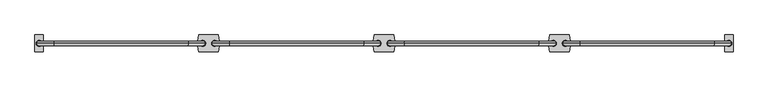
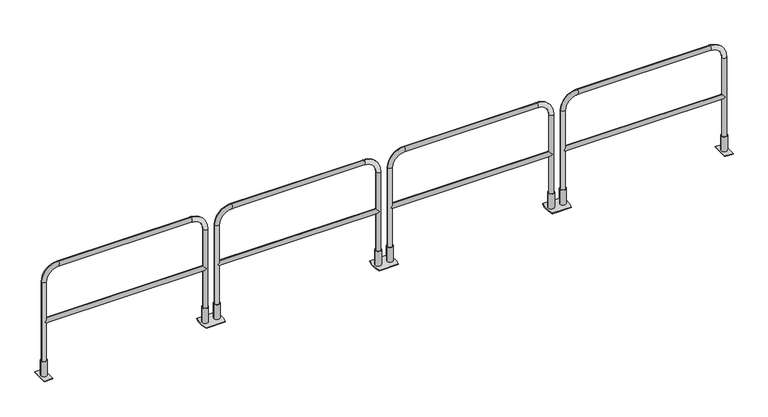
"""IFC4 building model written with IfcOpenShell, lengths in millimetres: railing geometry."""

from ifc_helpers import new_model, si_unit, point, frame, frame_2d, origin, origin_with_axes, place, context, project, spatial, polyline, circle_curve, ellipse_curve, trimmed, segment, composite_curve, outline, extrude, source, transform, mapped, element, save
from ifc_brep_helpers import plane_surface, cylinder_surface, revolved_surface, advanced_brep


def railing_26acb564(model_context):
    return source(origin(), model_context, "Body", "SolidModel", [
        extrude(outline(composite_curve([segment(trimmed(circle_curve(frame_2d((67475.572395, 15441.0551937)), 304.8), [point((67770.693726, 15517.2551937))], [point((67770.693726, 15364.8551937))], False, "CARTESIAN"), True, "CONTINUOUS"), segment(polyline([(67770.693726, 15364.8551937), (67592.893726, 15364.8551937)]), True, "CONTINUOUS"), segment(trimmed(circle_curve(frame_2d((67888.015057, 15441.0551937)), 304.8), [point((67592.893726, 15364.8551937))], [point((67592.893726, 15517.2551937))], False, "CARTESIAN"), True, "CONTINUOUS"), segment(polyline([(67592.893726, 15517.2551937), (67770.693726, 15517.2551937)]), True, "CONTINUOUS")], self_intersect=False)), origin_with_axes(), (0.0, 0.0, 1.0), 6.35),
        extrude(outline(composite_curve([segment(trimmed(circle_curve(frame_2d((67735.6752627, 15441.0551937)), 26.9875), [point((67708.6877627, 15441.0551937))], [point((67762.6627627, 15441.0551937))], False, "CARTESIAN"), True, "CONTINUOUS"), segment(trimmed(circle_curve(frame_2d((67735.6752627, 15441.0551937)), 26.9875), [point((67762.6627627, 15441.0551937))], [point((67708.6877627, 15441.0551937))], False, "CARTESIAN"), True, "CONTINUOUS")], self_intersect=False), holes=[composite_curve([segment(trimmed(circle_curve(frame_2d((67735.6752627, 15441.0551937)), 20.6375), [point((67715.0377627, 15441.0551937))], [point((67756.3127627, 15441.0551937))], True, "CARTESIAN"), True, "CONTINUOUS"), segment(trimmed(circle_curve(frame_2d((67735.6752627, 15441.0551937)), 20.6375), [point((67756.3127627, 15441.0551937))], [point((67715.0377627, 15441.0551937))], True, "CARTESIAN"), True, "CONTINUOUS")], self_intersect=False)]), frame((0.0, 0.0, 6.35), z_axis=(0.0, 0.0, 1.0), x_axis=(1.0, 0.0, 0.0)), (0.0, 0.0, 1.0), 146.05),
        extrude(outline(composite_curve([segment(trimmed(circle_curve(frame_2d((67627.9121893, 15441.0551937)), 26.9875), [point((67600.9246893, 15441.0551937))], [point((67654.8996893, 15441.0551937))], False, "CARTESIAN"), True, "CONTINUOUS"), segment(trimmed(circle_curve(frame_2d((67627.9121893, 15441.0551937)), 26.9875), [point((67654.8996893, 15441.0551937))], [point((67600.9246893, 15441.0551937))], False, "CARTESIAN"), True, "CONTINUOUS")], self_intersect=False), holes=[composite_curve([segment(trimmed(circle_curve(frame_2d((67627.9121893, 15441.0551937)), 20.6375), [point((67607.2746893, 15441.0551937))], [point((67648.5496893, 15441.0551937))], True, "CARTESIAN"), True, "CONTINUOUS"), segment(trimmed(circle_curve(frame_2d((67627.9121893, 15441.0551937)), 20.6375), [point((67648.5496893, 15441.0551937))], [point((67607.2746893, 15441.0551937))], True, "CARTESIAN"), True, "CONTINUOUS")], self_intersect=False)]), frame((0.0, 0.0, 6.35), z_axis=(0.0, 0.0, 1.0), x_axis=(1.0, 0.0, 0.0)), (0.0, 0.0, 1.0), 146.05),
        extrude(outline(composite_curve([segment(polyline([(69183.3817994, 15517.2551937), (69361.1817994, 15517.2551937)]), True, "CONTINUOUS"), segment(trimmed(circle_curve(frame_2d((69066.0604685, 15441.0551937)), 304.8), [point((69361.1817994, 15517.2551937))], [point((69361.1817994, 15364.8551937))], False, "CARTESIAN"), True, "CONTINUOUS"), segment(polyline([(69361.1817994, 15364.8551937), (69183.3817994, 15364.8551937)]), True, "CONTINUOUS"), segment(trimmed(circle_curve(frame_2d((69478.5031304, 15441.0551937)), 304.8), [point((69183.3817994, 15364.8551937))], [point((69183.3817994, 15517.2551937))], False, "CARTESIAN"), True, "CONTINUOUS")], self_intersect=False)), origin_with_axes(), (0.0, 0.0, 1.0), 6.35),
        extrude(outline(composite_curve([segment(trimmed(circle_curve(frame_2d((69218.4002627, 15441.0551937)), 26.9875), [point((69245.3877627, 15441.0551937))], [point((69191.4127627, 15441.0551937))], False, "CARTESIAN"), True, "CONTINUOUS"), segment(trimmed(circle_curve(frame_2d((69218.4002627, 15441.0551937)), 26.9875), [point((69191.4127627, 15441.0551937))], [point((69245.3877627, 15441.0551937))], False, "CARTESIAN"), True, "CONTINUOUS")], self_intersect=False), holes=[composite_curve([segment(trimmed(circle_curve(frame_2d((69218.4002627, 15441.0551937)), 20.6375), [point((69239.0377627, 15441.0551937))], [point((69197.7627627, 15441.0551937))], True, "CARTESIAN"), True, "CONTINUOUS"), segment(trimmed(circle_curve(frame_2d((69218.4002627, 15441.0551937)), 20.6375), [point((69197.7627627, 15441.0551937))], [point((69239.0377627, 15441.0551937))], True, "CARTESIAN"), True, "CONTINUOUS")], self_intersect=False)]), frame((0.0, 0.0, 6.35), z_axis=(0.0, 0.0, 1.0), x_axis=(1.0, 0.0, 0.0)), (0.0, 0.0, 1.0), 146.05),
        extrude(outline(composite_curve([segment(trimmed(circle_curve(frame_2d((69326.1633362, 15441.0551937)), 26.9875), [point((69353.1508362, 15441.0551937))], [point((69299.1758362, 15441.0551937))], False, "CARTESIAN"), True, "CONTINUOUS"), segment(trimmed(circle_curve(frame_2d((69326.1633362, 15441.0551937)), 26.9875), [point((69299.1758362, 15441.0551937))], [point((69353.1508362, 15441.0551937))], False, "CARTESIAN"), True, "CONTINUOUS")], self_intersect=False), holes=[composite_curve([segment(trimmed(circle_curve(frame_2d((69326.1633362, 15441.0551937)), 20.6375), [point((69346.8008362, 15441.0551937))], [point((69305.5258362, 15441.0551937))], True, "CARTESIAN"), True, "CONTINUOUS"), segment(trimmed(circle_curve(frame_2d((69326.1633362, 15441.0551937)), 20.6375), [point((69305.5258362, 15441.0551937))], [point((69346.8008362, 15441.0551937))], True, "CARTESIAN"), True, "CONTINUOUS")], self_intersect=False)]), frame((0.0, 0.0, 6.35), z_axis=(0.0, 0.0, 1.0), x_axis=(1.0, 0.0, 0.0)), (0.0, 0.0, 1.0), 146.05),
        advanced_brep(
        [(67756.3127627, 15441.0551937, 554.0375), (67735.6752627, 15420.4176937, 533.4), (67756.3127627, 15441.0551937, 512.7625), (69197.7627627, 15441.0551937, 512.7625), (69218.4002627, 15420.4176937, 533.4), (69197.7627627, 15441.0551937, 554.0375), (69218.4002627, 15461.6926937, 533.4), (67735.6752627, 15461.6926937, 533.4), (67715.0377627, 15441.0551937, 6.35), (67756.3127627, 15441.0551937, 6.35), (67756.3127627, 15441.0551937, 914.4), (67715.0377627, 15441.0551937, 914.4), (67867.4377627, 15441.0551937, 1025.525), (67867.4377627, 15441.0551937, 1066.8), (69086.6377627, 15441.0551937, 1025.525), (69086.6377627, 15441.0551937, 1066.8), (69197.7627627, 15441.0551937, 914.4), (69239.0377627, 15441.0551937, 914.4), (69239.0377627, 15441.0551937, 6.35), (69197.7627627, 15441.0551937, 6.35)],
        [
            (0, 1, ellipse_curve(frame((67735.6752627, 15441.0551937, 533.4), z_axis=(0.7071067811865475, 0.0, -0.7071067811865475), x_axis=(-0.7071067811865476, 0.0, -0.7071067811865474)), 29.1858324, 20.6375)),
            (1, 2, ellipse_curve(frame((67735.6752627, 15441.0551937, 533.4), z_axis=(0.7071067811865475, 0.0, 0.7071067811865475), x_axis=(-0.7071067811865476, 0.0, 0.7071067811865474)), 29.1858324, 20.6375)),
            (2, 3),
            (3, 4, ellipse_curve(frame((69218.4002627, 15441.0551937, 533.4), z_axis=(-0.7071067811865475, 0.0, 0.7071067811865475), x_axis=(-0.7071067811865476, 0.0, -0.7071067811865474)), 29.1858324, 20.6375)),
            (4, 5, ellipse_curve(frame((69218.4002627, 15441.0551937, 533.4), z_axis=(-0.7071067811865475, 0.0, -0.7071067811865475), x_axis=(-0.7071067811865476, 0.0, 0.7071067811865474)), 29.1858324, 20.6375)),
            (5, 0),
            (5, 6, ellipse_curve(frame((69218.4002627, 15441.0551937, 533.4), z_axis=(-0.7071067811865475, 0.0, -0.7071067811865475), x_axis=(-0.7071067811865476, 0.0, 0.7071067811865474)), 29.1858324, 20.6375)),
            (6, 3, ellipse_curve(frame((69218.4002627, 15441.0551937, 533.4), z_axis=(-0.7071067811865475, 0.0, 0.7071067811865475), x_axis=(-0.7071067811865476, 0.0, -0.7071067811865474)), 29.1858324, 20.6375)),
            (2, 7, ellipse_curve(frame((67735.6752627, 15441.0551937, 533.4), z_axis=(0.7071067811865475, 0.0, 0.7071067811865475), x_axis=(-0.7071067811865476, 0.0, 0.7071067811865474)), 29.1858324, 20.6375)),
            (7, 0, ellipse_curve(frame((67735.6752627, 15441.0551937, 533.4), z_axis=(0.7071067811865475, 0.0, -0.7071067811865475), x_axis=(-0.7071067811865476, 0.0, -0.7071067811865474)), 29.1858324, 20.6375)),
            (8, 9, circle_curve(frame((67735.6752627, 15441.0551937, 6.35), z_axis=(0.0, 0.0, -1.0), x_axis=(1.0, 0.0, 0.0)), 20.6375)),
            (9, 8, circle_curve(frame((67735.6752627, 15441.0551937, 6.35), z_axis=(0.0, 0.0, -1.0), x_axis=(1.0, 0.0, 0.0)), 20.6375)),
            (9, 2),
            (0, 10),
            (10, 11, circle_curve(frame((67735.6752627, 15441.0551937, 914.4), z_axis=(0.0, 0.0, -1.0), x_axis=(1.0, 0.0, 0.0)), 20.6375)),
            (11, 8),
            (11, 10, circle_curve(frame((67735.6752627, 15441.0551937, 914.4), z_axis=(0.0, 0.0, -1.0), x_axis=(1.0, 0.0, 0.0)), 20.6375)),
            (10, 12, circle_curve(frame((67867.4377627, 15441.0551937, 914.4), z_axis=(0.0, 1.0, 0.0), x_axis=(-1.0, 0.0, 0.0)), 111.125)),
            (12, 13, circle_curve(frame((67867.4377627, 15441.0551937, 1046.1625), z_axis=(-1.0, 0.0, 0.0), x_axis=(0.0, 0.0, -1.0)), 20.6375)),
            (13, 11, circle_curve(frame((67867.4377627, 15441.0551937, 914.4), z_axis=(0.0, -1.0, 0.0), x_axis=(-1.0, 0.0, 0.0)), 152.4)),
            (13, 12, circle_curve(frame((67867.4377627, 15441.0551937, 1046.1625), z_axis=(-1.0, 0.0, 0.0), x_axis=(0.0, 0.0, -1.0)), 20.6375)),
            (12, 14),
            (14, 15, circle_curve(frame((69086.6377627, 15441.0551937, 1046.1625), z_axis=(-1.0, 0.0, 0.0), x_axis=(0.0, 0.0, -1.0)), 20.6375)),
            (15, 13),
            (15, 14, circle_curve(frame((69086.6377627, 15441.0551937, 1046.1625), z_axis=(-1.0, 0.0, 0.0), x_axis=(0.0, 0.0, -1.0)), 20.6375)),
            (14, 16, circle_curve(frame((69086.6377627, 15441.0551937, 914.4), z_axis=(0.0, 1.0, 0.0), x_axis=(0.0, 0.0, 1.0)), 111.125)),
            (16, 17, circle_curve(frame((69218.4002627, 15441.0551937, 914.4), z_axis=(0.0, 0.0, 1.0), x_axis=(-1.0, 0.0, 0.0)), 20.6375)),
            (17, 15, circle_curve(frame((69086.6377627, 15441.0551937, 914.4), z_axis=(0.0, -1.0, 0.0), x_axis=(0.0, 0.0, 1.0)), 152.4)),
            (17, 16, circle_curve(frame((69218.4002627, 15441.0551937, 914.4), z_axis=(0.0, 0.0, 1.0), x_axis=(-1.0, 0.0, 0.0)), 20.6375)),
            (18, 19, circle_curve(frame((69218.4002627, 15441.0551937, 6.35), z_axis=(0.0, 0.0, -1.0), x_axis=(-1.0, 0.0, 0.0)), 20.6375)),
            (19, 18, circle_curve(frame((69218.4002627, 15441.0551937, 6.35), z_axis=(0.0, 0.0, -1.0), x_axis=(-1.0, 0.0, 0.0)), 20.6375)),
            (16, 5),
            (3, 19),
            (18, 17),
        ],
        [
            cylinder_surface(frame((67735.6752627, 15441.0551937, 533.4), z_axis=(-1.0, 0.0, 0.0), x_axis=(0.0, 0.0, -1.0)), 20.6375),
            plane_surface(frame((67715.0377627, 15441.0551937, 6.35), z_axis=(0.0, 0.0, -1.0), x_axis=(0.0, -1.0, 0.0))),
            cylinder_surface(frame((67735.6752627, 15441.0551937, 6.35), z_axis=(0.0, 0.0, -1.0), x_axis=(1.0, 0.0, 0.0)), 20.6375),
            revolved_surface(trimmed(ellipse_curve(frame((67735.6752627, 15441.0551937, 914.4), z_axis=(0.0, 0.0, 1.0), x_axis=(1.0, 0.0, 0.0)), 20.6375, 20.6375), [point((67715.0377627, 15441.0551937, 914.4))], [point((67756.3127627, 15441.0551937, 914.4))], True, "CARTESIAN"), (67867.4377627, 15441.0551937, 914.4), (0.0, -1.0, 0.0)),
            revolved_surface(trimmed(ellipse_curve(frame((67735.6752627, 15441.0551937, 914.4), z_axis=(0.0, 0.0, 1.0), x_axis=(1.0, 0.0, 0.0)), 20.6375, 20.6375), [point((67756.3127627, 15441.0551937, 914.4))], [point((67715.0377627, 15441.0551937, 914.4))], True, "CARTESIAN"), (67867.4377627, 15441.0551937, 914.4), (0.0, -1.0, 0.0)),
            cylinder_surface(frame((67867.4377627, 15441.0551937, 1046.1625), z_axis=(-1.0, 0.0, 0.0), x_axis=(0.0, 0.0, -1.0)), 20.6375),
            revolved_surface(trimmed(ellipse_curve(frame((69086.6377627, 15441.0551937, 1046.1625), z_axis=(1.0, 0.0, 0.0), x_axis=(0.0, 0.0, -1.0)), 20.6375, 20.6375), [point((69086.6377627, 15441.0551937, 1066.8))], [point((69086.6377627, 15441.0551937, 1025.525))], True, "CARTESIAN"), (69086.6377627, 15441.0551937, 914.4), (0.0, -1.0, 0.0)),
            revolved_surface(trimmed(ellipse_curve(frame((69086.6377627, 15441.0551937, 1046.1625), z_axis=(1.0, 0.0, 0.0), x_axis=(0.0, 0.0, -1.0)), 20.6375, 20.6375), [point((69086.6377627, 15441.0551937, 1025.525))], [point((69086.6377627, 15441.0551937, 1066.8))], True, "CARTESIAN"), (69086.6377627, 15441.0551937, 914.4), (0.0, -1.0, 0.0)),
            plane_surface(frame((69239.0377627, 15441.0551937, 6.35), z_axis=(0.0, 0.0, -1.0), x_axis=(0.0, -1.0, 0.0))),
            cylinder_surface(frame((69218.4002627, 15441.0551937, 914.4), z_axis=(0.0, 0.0, 1.0), x_axis=(-1.0, 0.0, 0.0)), 20.6375),
        ],
        [
            (0, [[1, 2, 3, 4, 5, 6]]),
            (0, [[7, 8, -3, 9, 10, -6]]),
            (1, [[11, 12]]),
            (2, [[13, -2, -1, 14, 15, 16, -12]]),
            (2, [[-16, 17, -14, -10, -9, -13, -11]]),
            (3, [[18, 19, 20, -15]]),
            (4, [[-20, 21, -18, -17]]),
            (5, [[22, 23, 24, -19]]),
            (5, [[-24, 25, -22, -21]]),
            (6, [[26, 27, 28, -23]]),
            (7, [[-28, 29, -26, -25]]),
            (8, [[30, 31]]),
            (9, [[32, -5, -4, 33, -30, 34, -27]]),
            (9, [[-34, -31, -33, -8, -7, -32, -29]]),
        ],
    ),
        extrude(outline(composite_curve([segment(trimmed(circle_curve(frame_2d((65885.0958325, 15441.0551937)), 304.8), [point((66180.2171635, 15517.2551937))], [point((66180.2171635, 15364.8551937))], False, "CARTESIAN"), True, "CONTINUOUS"), segment(polyline([(66180.2171635, 15364.8551937), (66002.4171635, 15364.8551937)]), True, "CONTINUOUS"), segment(trimmed(circle_curve(frame_2d((66297.5384945, 15441.0551937)), 304.8), [point((66002.4171635, 15364.8551937))], [point((66002.4171635, 15517.2551937))], False, "CARTESIAN"), True, "CONTINUOUS"), segment(polyline([(66002.4171635, 15517.2551937), (66180.2171635, 15517.2551937)]), True, "CONTINUOUS")], self_intersect=False)), origin_with_axes(), (0.0, 0.0, 1.0), 6.35),
        extrude(outline(composite_curve([segment(trimmed(circle_curve(frame_2d((66145.1987002, 15441.0551937)), 26.9875), [point((66118.2112002, 15441.0551937))], [point((66172.1862002, 15441.0551937))], False, "CARTESIAN"), True, "CONTINUOUS"), segment(trimmed(circle_curve(frame_2d((66145.1987002, 15441.0551937)), 26.9875), [point((66172.1862002, 15441.0551937))], [point((66118.2112002, 15441.0551937))], False, "CARTESIAN"), True, "CONTINUOUS")], self_intersect=False), holes=[composite_curve([segment(trimmed(circle_curve(frame_2d((66145.1987002, 15441.0551937)), 20.6375), [point((66124.5612002, 15441.0551937))], [point((66165.8362002, 15441.0551937))], True, "CARTESIAN"), True, "CONTINUOUS"), segment(trimmed(circle_curve(frame_2d((66145.1987002, 15441.0551937)), 20.6375), [point((66165.8362002, 15441.0551937))], [point((66124.5612002, 15441.0551937))], True, "CARTESIAN"), True, "CONTINUOUS")], self_intersect=False)]), frame((0.0, 0.0, 6.35), z_axis=(0.0, 0.0, 1.0), x_axis=(1.0, 0.0, 0.0)), (0.0, 0.0, 1.0), 146.05),
        extrude(outline(composite_curve([segment(trimmed(circle_curve(frame_2d((66037.4356268, 15441.0551937)), 26.9875), [point((66010.4481268, 15441.0551937))], [point((66064.4231268, 15441.0551937))], False, "CARTESIAN"), True, "CONTINUOUS"), segment(trimmed(circle_curve(frame_2d((66037.4356268, 15441.0551937)), 26.9875), [point((66064.4231268, 15441.0551937))], [point((66010.4481268, 15441.0551937))], False, "CARTESIAN"), True, "CONTINUOUS")], self_intersect=False), holes=[composite_curve([segment(trimmed(circle_curve(frame_2d((66037.4356268, 15441.0551937)), 20.6375), [point((66016.7981268, 15441.0551937))], [point((66058.0731268, 15441.0551937))], True, "CARTESIAN"), True, "CONTINUOUS"), segment(trimmed(circle_curve(frame_2d((66037.4356268, 15441.0551937)), 20.6375), [point((66058.0731268, 15441.0551937))], [point((66016.7981268, 15441.0551937))], True, "CARTESIAN"), True, "CONTINUOUS")], self_intersect=False)]), frame((0.0, 0.0, 6.35), z_axis=(0.0, 0.0, 1.0), x_axis=(1.0, 0.0, 0.0)), (0.0, 0.0, 1.0), 146.05),
        extrude(outline(composite_curve([segment(polyline([(67592.9052369, 15517.2551937), (67770.7052369, 15517.2551937)]), True, "CONTINUOUS"), segment(trimmed(circle_curve(frame_2d((67475.583906, 15441.0551937)), 304.8), [point((67770.7052369, 15517.2551937))], [point((67770.7052369, 15364.8551937))], False, "CARTESIAN"), True, "CONTINUOUS"), segment(polyline([(67770.7052369, 15364.8551937), (67592.9052369, 15364.8551937)]), True, "CONTINUOUS"), segment(trimmed(circle_curve(frame_2d((67888.0265679, 15441.0551937)), 304.8), [point((67592.9052369, 15364.8551937))], [point((67592.9052369, 15517.2551937))], False, "CARTESIAN"), True, "CONTINUOUS")], self_intersect=False)), origin_with_axes(), (0.0, 0.0, 1.0), 6.35),
        extrude(outline(composite_curve([segment(trimmed(circle_curve(frame_2d((67627.9237002, 15441.0551937)), 26.9875), [point((67654.9112002, 15441.0551937))], [point((67600.9362002, 15441.0551937))], False, "CARTESIAN"), True, "CONTINUOUS"), segment(trimmed(circle_curve(frame_2d((67627.9237002, 15441.0551937)), 26.9875), [point((67600.9362002, 15441.0551937))], [point((67654.9112002, 15441.0551937))], False, "CARTESIAN"), True, "CONTINUOUS")], self_intersect=False), holes=[composite_curve([segment(trimmed(circle_curve(frame_2d((67627.9237002, 15441.0551937)), 20.6375), [point((67648.5612002, 15441.0551937))], [point((67607.2862002, 15441.0551937))], True, "CARTESIAN"), True, "CONTINUOUS"), segment(trimmed(circle_curve(frame_2d((67627.9237002, 15441.0551937)), 20.6375), [point((67607.2862002, 15441.0551937))], [point((67648.5612002, 15441.0551937))], True, "CARTESIAN"), True, "CONTINUOUS")], self_intersect=False)]), frame((0.0, 0.0, 6.35), z_axis=(0.0, 0.0, 1.0), x_axis=(1.0, 0.0, 0.0)), (0.0, 0.0, 1.0), 146.05),
        extrude(outline(composite_curve([segment(trimmed(circle_curve(frame_2d((67735.6867737, 15441.0551937)), 26.9875), [point((67762.6742737, 15441.0551937))], [point((67708.6992737, 15441.0551937))], False, "CARTESIAN"), True, "CONTINUOUS"), segment(trimmed(circle_curve(frame_2d((67735.6867737, 15441.0551937)), 26.9875), [point((67708.6992737, 15441.0551937))], [point((67762.6742737, 15441.0551937))], False, "CARTESIAN"), True, "CONTINUOUS")], self_intersect=False), holes=[composite_curve([segment(trimmed(circle_curve(frame_2d((67735.6867737, 15441.0551937)), 20.6375), [point((67756.3242737, 15441.0551937))], [point((67715.0492737, 15441.0551937))], True, "CARTESIAN"), True, "CONTINUOUS"), segment(trimmed(circle_curve(frame_2d((67735.6867737, 15441.0551937)), 20.6375), [point((67715.0492737, 15441.0551937))], [point((67756.3242737, 15441.0551937))], True, "CARTESIAN"), True, "CONTINUOUS")], self_intersect=False)]), frame((0.0, 0.0, 6.35), z_axis=(0.0, 0.0, 1.0), x_axis=(1.0, 0.0, 0.0)), (0.0, 0.0, 1.0), 146.05),
        advanced_brep(
        [(66165.8362002, 15441.0551937, 554.0375), (66145.1987002, 15420.4176937, 533.4), (66165.8362002, 15441.0551937, 512.7625), (67607.2862002, 15441.0551937, 512.7625), (67627.9237002, 15420.4176937, 533.4), (67607.2862002, 15441.0551937, 554.0375), (67627.9237002, 15461.6926937, 533.4), (66145.1987002, 15461.6926937, 533.4), (66124.5612002, 15441.0551937, 6.35), (66165.8362002, 15441.0551937, 6.35), (66165.8362002, 15441.0551937, 914.4), (66124.5612002, 15441.0551937, 914.4), (66276.9612002, 15441.0551937, 1025.525), (66276.9612002, 15441.0551937, 1066.8), (67496.1612002, 15441.0551937, 1025.525), (67496.1612002, 15441.0551937, 1066.8), (67607.2862002, 15441.0551937, 914.4), (67648.5612002, 15441.0551937, 914.4), (67648.5612002, 15441.0551937, 6.35), (67607.2862002, 15441.0551937, 6.35)],
        [
            (0, 1, ellipse_curve(frame((66145.1987002, 15441.0551937, 533.4), z_axis=(0.7071067811865475, 0.0, -0.7071067811865475), x_axis=(-0.7071067811865476, 0.0, -0.7071067811865474)), 29.1858324, 20.6375)),
            (1, 2, ellipse_curve(frame((66145.1987002, 15441.0551937, 533.4), z_axis=(0.7071067811865475, 0.0, 0.7071067811865475), x_axis=(-0.7071067811865476, 0.0, 0.7071067811865474)), 29.1858324, 20.6375)),
            (2, 3),
            (3, 4, ellipse_curve(frame((67627.9237002, 15441.0551937, 533.4), z_axis=(-0.7071067811865475, 0.0, 0.7071067811865475), x_axis=(-0.7071067811865476, 0.0, -0.7071067811865474)), 29.1858324, 20.6375)),
            (4, 5, ellipse_curve(frame((67627.9237002, 15441.0551937, 533.4), z_axis=(-0.7071067811865475, 0.0, -0.7071067811865475), x_axis=(-0.7071067811865476, 0.0, 0.7071067811865474)), 29.1858324, 20.6375)),
            (5, 0),
            (5, 6, ellipse_curve(frame((67627.9237002, 15441.0551937, 533.4), z_axis=(-0.7071067811865475, 0.0, -0.7071067811865475), x_axis=(-0.7071067811865476, 0.0, 0.7071067811865474)), 29.1858324, 20.6375)),
            (6, 3, ellipse_curve(frame((67627.9237002, 15441.0551937, 533.4), z_axis=(-0.7071067811865475, 0.0, 0.7071067811865475), x_axis=(-0.7071067811865476, 0.0, -0.7071067811865474)), 29.1858324, 20.6375)),
            (2, 7, ellipse_curve(frame((66145.1987002, 15441.0551937, 533.4), z_axis=(0.7071067811865475, 0.0, 0.7071067811865475), x_axis=(-0.7071067811865476, 0.0, 0.7071067811865474)), 29.1858324, 20.6375)),
            (7, 0, ellipse_curve(frame((66145.1987002, 15441.0551937, 533.4), z_axis=(0.7071067811865475, 0.0, -0.7071067811865475), x_axis=(-0.7071067811865476, 0.0, -0.7071067811865474)), 29.1858324, 20.6375)),
            (8, 9, circle_curve(frame((66145.1987002, 15441.0551937, 6.35), z_axis=(0.0, 0.0, -1.0), x_axis=(1.0, 0.0, 0.0)), 20.6375)),
            (9, 8, circle_curve(frame((66145.1987002, 15441.0551937, 6.35), z_axis=(0.0, 0.0, -1.0), x_axis=(1.0, 0.0, 0.0)), 20.6375)),
            (9, 2),
            (0, 10),
            (10, 11, circle_curve(frame((66145.1987002, 15441.0551937, 914.4), z_axis=(0.0, 0.0, -1.0), x_axis=(1.0, 0.0, 0.0)), 20.6375)),
            (11, 8),
            (11, 10, circle_curve(frame((66145.1987002, 15441.0551937, 914.4), z_axis=(0.0, 0.0, -1.0), x_axis=(1.0, 0.0, 0.0)), 20.6375)),
            (10, 12, circle_curve(frame((66276.9612002, 15441.0551937, 914.4), z_axis=(0.0, 1.0, 0.0), x_axis=(-1.0, 0.0, 0.0)), 111.125)),
            (12, 13, circle_curve(frame((66276.9612002, 15441.0551937, 1046.1625), z_axis=(-1.0, 0.0, 0.0), x_axis=(0.0, 0.0, -1.0)), 20.6375)),
            (13, 11, circle_curve(frame((66276.9612002, 15441.0551937, 914.4), z_axis=(0.0, -1.0, 0.0), x_axis=(-1.0, 0.0, 0.0)), 152.4)),
            (13, 12, circle_curve(frame((66276.9612002, 15441.0551937, 1046.1625), z_axis=(-1.0, 0.0, 0.0), x_axis=(0.0, 0.0, -1.0)), 20.6375)),
            (12, 14),
            (14, 15, circle_curve(frame((67496.1612002, 15441.0551937, 1046.1625), z_axis=(-1.0, 0.0, 0.0), x_axis=(0.0, 0.0, -1.0)), 20.6375)),
            (15, 13),
            (15, 14, circle_curve(frame((67496.1612002, 15441.0551937, 1046.1625), z_axis=(-1.0, 0.0, 0.0), x_axis=(0.0, 0.0, -1.0)), 20.6375)),
            (14, 16, circle_curve(frame((67496.1612002, 15441.0551937, 914.4), z_axis=(0.0, 1.0, 0.0), x_axis=(0.0, 0.0, 1.0)), 111.125)),
            (16, 17, circle_curve(frame((67627.9237002, 15441.0551937, 914.4), z_axis=(0.0, 0.0, 1.0), x_axis=(-1.0, 0.0, 0.0)), 20.6375)),
            (17, 15, circle_curve(frame((67496.1612002, 15441.0551937, 914.4), z_axis=(0.0, -1.0, 0.0), x_axis=(0.0, 0.0, 1.0)), 152.4)),
            (17, 16, circle_curve(frame((67627.9237002, 15441.0551937, 914.4), z_axis=(0.0, 0.0, 1.0), x_axis=(-1.0, 0.0, 0.0)), 20.6375)),
            (18, 19, circle_curve(frame((67627.9237002, 15441.0551937, 6.35), z_axis=(0.0, 0.0, -1.0), x_axis=(-1.0, 0.0, 0.0)), 20.6375)),
            (19, 18, circle_curve(frame((67627.9237002, 15441.0551937, 6.35), z_axis=(0.0, 0.0, -1.0), x_axis=(-1.0, 0.0, 0.0)), 20.6375)),
            (16, 5),
            (3, 19),
            (18, 17),
        ],
        [
            cylinder_surface(frame((66145.1987002, 15441.0551937, 533.4), z_axis=(-1.0, 0.0, 0.0), x_axis=(0.0, 0.0, -1.0)), 20.6375),
            plane_surface(frame((66124.5612002, 15441.0551937, 6.35), z_axis=(0.0, 0.0, -1.0), x_axis=(0.0, -1.0, 0.0))),
            cylinder_surface(frame((66145.1987002, 15441.0551937, 6.35), z_axis=(0.0, 0.0, -1.0), x_axis=(1.0, 0.0, 0.0)), 20.6375),
            revolved_surface(trimmed(ellipse_curve(frame((66145.1987002, 15441.0551937, 914.4), z_axis=(0.0, 0.0, 1.0), x_axis=(1.0, 0.0, 0.0)), 20.6375, 20.6375), [point((66124.5612002, 15441.0551937, 914.4))], [point((66165.8362002, 15441.0551937, 914.4))], True, "CARTESIAN"), (66276.9612002, 15441.0551937, 914.4), (0.0, -1.0, 0.0)),
            revolved_surface(trimmed(ellipse_curve(frame((66145.1987002, 15441.0551937, 914.4), z_axis=(0.0, 0.0, 1.0), x_axis=(1.0, 0.0, 0.0)), 20.6375, 20.6375), [point((66165.8362002, 15441.0551937, 914.4))], [point((66124.5612002, 15441.0551937, 914.4))], True, "CARTESIAN"), (66276.9612002, 15441.0551937, 914.4), (0.0, -1.0, 0.0)),
            cylinder_surface(frame((66276.9612002, 15441.0551937, 1046.1625), z_axis=(-1.0, 0.0, 0.0), x_axis=(0.0, 0.0, -1.0)), 20.6375),
            revolved_surface(trimmed(ellipse_curve(frame((67496.1612002, 15441.0551937, 1046.1625), z_axis=(1.0, 0.0, 0.0), x_axis=(0.0, 0.0, -1.0)), 20.6375, 20.6375), [point((67496.1612002, 15441.0551937, 1066.8))], [point((67496.1612002, 15441.0551937, 1025.525))], True, "CARTESIAN"), (67496.1612002, 15441.0551937, 914.4), (0.0, -1.0, 0.0)),
            revolved_surface(trimmed(ellipse_curve(frame((67496.1612002, 15441.0551937, 1046.1625), z_axis=(1.0, 0.0, 0.0), x_axis=(0.0, 0.0, -1.0)), 20.6375, 20.6375), [point((67496.1612002, 15441.0551937, 1025.525))], [point((67496.1612002, 15441.0551937, 1066.8))], True, "CARTESIAN"), (67496.1612002, 15441.0551937, 914.4), (0.0, -1.0, 0.0)),
            plane_surface(frame((67648.5612002, 15441.0551937, 6.35), z_axis=(0.0, 0.0, -1.0), x_axis=(0.0, -1.0, 0.0))),
            cylinder_surface(frame((67627.9237002, 15441.0551937, 914.4), z_axis=(0.0, 0.0, 1.0), x_axis=(-1.0, 0.0, 0.0)), 20.6375),
        ],
        [
            (0, [[1, 2, 3, 4, 5, 6]]),
            (0, [[7, 8, -3, 9, 10, -6]]),
            (1, [[11, 12]]),
            (2, [[13, -2, -1, 14, 15, 16, -12]]),
            (2, [[-16, 17, -14, -10, -9, -13, -11]]),
            (3, [[18, 19, 20, -15]]),
            (4, [[-20, 21, -18, -17]]),
            (5, [[22, 23, 24, -19]]),
            (5, [[-24, 25, -22, -21]]),
            (6, [[26, 27, 28, -23]]),
            (7, [[-28, 29, -26, -25]]),
            (8, [[30, 31]]),
            (9, [[32, -5, -4, 33, -30, 34, -27]]),
            (9, [[-34, -31, -33, -8, -7, -32, -29]]),
        ],
    ),
        extrude(outline(polyline([(70770.7371377, 15517.2551937), (70846.9371377, 15517.2551937), (70846.9371377, 15364.8551937), (70770.7371377, 15364.8551937), (70770.7371377, 15517.2551937)])), origin_with_axes(), (0.0, 0.0, 1.0), 6.35),
        extrude(outline(composite_curve([segment(trimmed(circle_curve(frame_2d((70808.8371377, 15441.0551937)), 26.9875), [point((70835.8246377, 15441.0551937))], [point((70781.8496377, 15441.0551937))], False, "CARTESIAN"), True, "CONTINUOUS"), segment(trimmed(circle_curve(frame_2d((70808.8371377, 15441.0551937)), 26.9875), [point((70781.8496377, 15441.0551937))], [point((70835.8246377, 15441.0551937))], False, "CARTESIAN"), True, "CONTINUOUS")], self_intersect=False), holes=[composite_curve([segment(trimmed(circle_curve(frame_2d((70808.8371377, 15441.0551937)), 20.6375), [point((70829.4746377, 15441.0551937))], [point((70788.1996377, 15441.0551937))], True, "CARTESIAN"), True, "CONTINUOUS"), segment(trimmed(circle_curve(frame_2d((70808.8371377, 15441.0551937)), 20.6375), [point((70788.1996377, 15441.0551937))], [point((70829.4746377, 15441.0551937))], True, "CARTESIAN"), True, "CONTINUOUS")], self_intersect=False)]), frame((0.0, 0.0, 6.35), z_axis=(0.0, 0.0, 1.0), x_axis=(1.0, 0.0, 0.0)), (0.0, 0.0, 1.0), 146.05),
        advanced_brep(
        [(69346.7496377, 15441.0551937, 554.0375), (69326.1121377, 15420.4176937, 533.4), (69346.7496377, 15441.0551937, 512.7625), (70788.1996377, 15441.0551937, 512.7625), (70808.8371377, 15420.4176937, 533.4), (70788.1996377, 15441.0551937, 554.0375), (70808.8371377, 15461.6926937, 533.4), (69326.1121377, 15461.6926937, 533.4), (69305.4746377, 15441.0551937, 6.35), (69346.7496377, 15441.0551937, 6.35), (69346.7496377, 15441.0551937, 914.4), (69305.4746377, 15441.0551937, 914.4), (69457.8746377, 15441.0551937, 1025.525), (69457.8746377, 15441.0551937, 1066.8), (70677.0746377, 15441.0551937, 1025.525), (70677.0746377, 15441.0551937, 1066.8), (70788.1996377, 15441.0551937, 914.4), (70829.4746377, 15441.0551937, 914.4), (70829.4746377, 15441.0551937, 6.35), (70788.1996377, 15441.0551937, 6.35)],
        [
            (0, 1, ellipse_curve(frame((69326.1121377, 15441.0551937, 533.4), z_axis=(0.7071067811865475, 0.0, -0.7071067811865475), x_axis=(-0.7071067811865476, 0.0, -0.7071067811865474)), 29.1858324, 20.6375)),
            (1, 2, ellipse_curve(frame((69326.1121377, 15441.0551937, 533.4), z_axis=(0.7071067811865475, 0.0, 0.7071067811865475), x_axis=(-0.7071067811865476, 0.0, 0.7071067811865474)), 29.1858324, 20.6375)),
            (2, 3),
            (3, 4, ellipse_curve(frame((70808.8371377, 15441.0551937, 533.4), z_axis=(-0.7071067811865475, 0.0, 0.7071067811865475), x_axis=(-0.7071067811865476, 0.0, -0.7071067811865474)), 29.1858324, 20.6375)),
            (4, 5, ellipse_curve(frame((70808.8371377, 15441.0551937, 533.4), z_axis=(-0.7071067811865475, 0.0, -0.7071067811865475), x_axis=(-0.7071067811865476, 0.0, 0.7071067811865474)), 29.1858324, 20.6375)),
            (5, 0),
            (5, 6, ellipse_curve(frame((70808.8371377, 15441.0551937, 533.4), z_axis=(-0.7071067811865475, 0.0, -0.7071067811865475), x_axis=(-0.7071067811865476, 0.0, 0.7071067811865474)), 29.1858324, 20.6375)),
            (6, 3, ellipse_curve(frame((70808.8371377, 15441.0551937, 533.4), z_axis=(-0.7071067811865475, 0.0, 0.7071067811865475), x_axis=(-0.7071067811865476, 0.0, -0.7071067811865474)), 29.1858324, 20.6375)),
            (2, 7, ellipse_curve(frame((69326.1121377, 15441.0551937, 533.4), z_axis=(0.7071067811865475, 0.0, 0.7071067811865475), x_axis=(-0.7071067811865476, 0.0, 0.7071067811865474)), 29.1858324, 20.6375)),
            (7, 0, ellipse_curve(frame((69326.1121377, 15441.0551937, 533.4), z_axis=(0.7071067811865475, 0.0, -0.7071067811865475), x_axis=(-0.7071067811865476, 0.0, -0.7071067811865474)), 29.1858324, 20.6375)),
            (8, 9, circle_curve(frame((69326.1121377, 15441.0551937, 6.35), z_axis=(0.0, 0.0, -1.0), x_axis=(1.0, 0.0, 0.0)), 20.6375)),
            (9, 8, circle_curve(frame((69326.1121377, 15441.0551937, 6.35), z_axis=(0.0, 0.0, -1.0), x_axis=(1.0, 0.0, 0.0)), 20.6375)),
            (9, 2),
            (0, 10),
            (10, 11, circle_curve(frame((69326.1121377, 15441.0551937, 914.4), z_axis=(0.0, 0.0, -1.0), x_axis=(1.0, 0.0, 0.0)), 20.6375)),
            (11, 8),
            (11, 10, circle_curve(frame((69326.1121377, 15441.0551937, 914.4), z_axis=(0.0, 0.0, -1.0), x_axis=(1.0, 0.0, 0.0)), 20.6375)),
            (10, 12, circle_curve(frame((69457.8746377, 15441.0551937, 914.4), z_axis=(0.0, 1.0, 0.0), x_axis=(-1.0, 0.0, 0.0)), 111.125)),
            (12, 13, circle_curve(frame((69457.8746377, 15441.0551937, 1046.1625), z_axis=(-1.0, 0.0, 0.0), x_axis=(0.0, 0.0, -1.0)), 20.6375)),
            (13, 11, circle_curve(frame((69457.8746377, 15441.0551937, 914.4), z_axis=(0.0, -1.0, 0.0), x_axis=(-1.0, 0.0, 0.0)), 152.4)),
            (13, 12, circle_curve(frame((69457.8746377, 15441.0551937, 1046.1625), z_axis=(-1.0, 0.0, 0.0), x_axis=(0.0, 0.0, -1.0)), 20.6375)),
            (12, 14),
            (14, 15, circle_curve(frame((70677.0746377, 15441.0551937, 1046.1625), z_axis=(-1.0, 0.0, 0.0), x_axis=(0.0, 0.0, -1.0)), 20.6375)),
            (15, 13),
            (15, 14, circle_curve(frame((70677.0746377, 15441.0551937, 1046.1625), z_axis=(-1.0, 0.0, 0.0), x_axis=(0.0, 0.0, -1.0)), 20.6375)),
            (14, 16, circle_curve(frame((70677.0746377, 15441.0551937, 914.4), z_axis=(0.0, 1.0, 0.0), x_axis=(0.0, 0.0, 1.0)), 111.125)),
            (16, 17, circle_curve(frame((70808.8371377, 15441.0551937, 914.4), z_axis=(0.0, 0.0, 1.0), x_axis=(-1.0, 0.0, 0.0)), 20.6375)),
            (17, 15, circle_curve(frame((70677.0746377, 15441.0551937, 914.4), z_axis=(0.0, -1.0, 0.0), x_axis=(0.0, 0.0, 1.0)), 152.4)),
            (17, 16, circle_curve(frame((70808.8371377, 15441.0551937, 914.4), z_axis=(0.0, 0.0, 1.0), x_axis=(-1.0, 0.0, 0.0)), 20.6375)),
            (18, 19, circle_curve(frame((70808.8371377, 15441.0551937, 6.35), z_axis=(0.0, 0.0, -1.0), x_axis=(-1.0, 0.0, 0.0)), 20.6375)),
            (19, 18, circle_curve(frame((70808.8371377, 15441.0551937, 6.35), z_axis=(0.0, 0.0, -1.0), x_axis=(-1.0, 0.0, 0.0)), 20.6375)),
            (16, 5),
            (3, 19),
            (18, 17),
        ],
        [
            cylinder_surface(frame((69326.1121377, 15441.0551937, 533.4), z_axis=(-1.0, 0.0, 0.0), x_axis=(0.0, 0.0, -1.0)), 20.6375),
            plane_surface(frame((69305.4746377, 15441.0551937, 6.35), z_axis=(0.0, 0.0, -1.0), x_axis=(0.0, -1.0, 0.0))),
            cylinder_surface(frame((69326.1121377, 15441.0551937, 6.35), z_axis=(0.0, 0.0, -1.0), x_axis=(1.0, 0.0, 0.0)), 20.6375),
            revolved_surface(trimmed(ellipse_curve(frame((69326.1121377, 15441.0551937, 914.4), z_axis=(0.0, 0.0, 1.0), x_axis=(1.0, 0.0, 0.0)), 20.6375, 20.6375), [point((69305.4746377, 15441.0551937, 914.4))], [point((69346.7496377, 15441.0551937, 914.4))], True, "CARTESIAN"), (69457.8746377, 15441.0551937, 914.4), (0.0, -1.0, 0.0)),
            revolved_surface(trimmed(ellipse_curve(frame((69326.1121377, 15441.0551937, 914.4), z_axis=(0.0, 0.0, 1.0), x_axis=(1.0, 0.0, 0.0)), 20.6375, 20.6375), [point((69346.7496377, 15441.0551937, 914.4))], [point((69305.4746377, 15441.0551937, 914.4))], True, "CARTESIAN"), (69457.8746377, 15441.0551937, 914.4), (0.0, -1.0, 0.0)),
            cylinder_surface(frame((69457.8746377, 15441.0551937, 1046.1625), z_axis=(-1.0, 0.0, 0.0), x_axis=(0.0, 0.0, -1.0)), 20.6375),
            revolved_surface(trimmed(ellipse_curve(frame((70677.0746377, 15441.0551937, 1046.1625), z_axis=(1.0, 0.0, 0.0), x_axis=(0.0, 0.0, -1.0)), 20.6375, 20.6375), [point((70677.0746377, 15441.0551937, 1066.8))], [point((70677.0746377, 15441.0551937, 1025.525))], True, "CARTESIAN"), (70677.0746377, 15441.0551937, 914.4), (0.0, -1.0, 0.0)),
            revolved_surface(trimmed(ellipse_curve(frame((70677.0746377, 15441.0551937, 1046.1625), z_axis=(1.0, 0.0, 0.0), x_axis=(0.0, 0.0, -1.0)), 20.6375, 20.6375), [point((70677.0746377, 15441.0551937, 1025.525))], [point((70677.0746377, 15441.0551937, 1066.8))], True, "CARTESIAN"), (70677.0746377, 15441.0551937, 914.4), (0.0, -1.0, 0.0)),
            plane_surface(frame((70829.4746377, 15441.0551937, 6.35), z_axis=(0.0, 0.0, -1.0), x_axis=(0.0, -1.0, 0.0))),
            cylinder_surface(frame((70808.8371377, 15441.0551937, 914.4), z_axis=(0.0, 0.0, 1.0), x_axis=(-1.0, 0.0, 0.0)), 20.6375),
        ],
        [
            (0, [[1, 2, 3, 4, 5, 6]]),
            (0, [[7, 8, -3, 9, 10, -6]]),
            (1, [[11, 12]]),
            (2, [[13, -2, -1, 14, 15, 16, -12]]),
            (2, [[-16, 17, -14, -10, -9, -13, -11]]),
            (3, [[18, 19, 20, -15]]),
            (4, [[-20, 21, -18, -17]]),
            (5, [[22, 23, 24, -19]]),
            (5, [[-24, 25, -22, -21]]),
            (6, [[26, 27, 28, -23]]),
            (7, [[-28, 29, -26, -25]]),
            (8, [[30, 31]]),
            (9, [[32, -5, -4, 33, -30, 34, -27]]),
            (9, [[-34, -31, -33, -8, -7, -32, -29]]),
        ],
    ),
        extrude(outline(polyline([(64516.6221377, 15517.2551937), (64592.8221377, 15517.2551937), (64592.8221377, 15364.8551937), (64516.6221377, 15364.8551937), (64516.6221377, 15517.2551937)])), origin_with_axes(), (0.0, 0.0, 1.0), 6.35),
        extrude(outline(composite_curve([segment(trimmed(circle_curve(frame_2d((64554.7221377, 15441.0551937)), 26.9875), [point((64581.7096377, 15441.0551937))], [point((64527.7346377, 15441.0551937))], False, "CARTESIAN"), True, "CONTINUOUS"), segment(trimmed(circle_curve(frame_2d((64554.7221377, 15441.0551937)), 26.9875), [point((64527.7346377, 15441.0551937))], [point((64581.7096377, 15441.0551937))], False, "CARTESIAN"), True, "CONTINUOUS")], self_intersect=False), holes=[composite_curve([segment(trimmed(circle_curve(frame_2d((64554.7221377, 15441.0551937)), 20.6375), [point((64575.3596377, 15441.0551937))], [point((64534.0846377, 15441.0551937))], True, "CARTESIAN"), True, "CONTINUOUS"), segment(trimmed(circle_curve(frame_2d((64554.7221377, 15441.0551937)), 20.6375), [point((64534.0846377, 15441.0551937))], [point((64575.3596377, 15441.0551937))], True, "CARTESIAN"), True, "CONTINUOUS")], self_intersect=False)]), frame((0.0, 0.0, 6.35), z_axis=(0.0, 0.0, 1.0), x_axis=(1.0, 0.0, 0.0)), (0.0, 0.0, 1.0), 146.05),
        advanced_brep(
        [(64575.3596377, 15441.0551937, 554.0375), (64554.7221377, 15420.4176937, 533.4), (64575.3596377, 15441.0551937, 512.7625), (66016.8096377, 15441.0551937, 512.7625), (66037.4471377, 15420.4176937, 533.4), (66016.8096377, 15441.0551937, 554.0375), (66037.4471377, 15461.6926937, 533.4), (64554.7221377, 15461.6926937, 533.4), (64534.0846377, 15441.0551937, 6.35), (64575.3596377, 15441.0551937, 6.35), (64575.3596377, 15441.0551937, 914.4), (64534.0846377, 15441.0551937, 914.4), (64686.4846377, 15441.0551937, 1025.525), (64686.4846377, 15441.0551937, 1066.8), (65905.6846377, 15441.0551937, 1025.525), (65905.6846377, 15441.0551937, 1066.8), (66016.8096377, 15441.0551937, 914.4), (66058.0846377, 15441.0551937, 914.4), (66058.0846377, 15441.0551937, 6.35), (66016.8096377, 15441.0551937, 6.35)],
        [
            (0, 1, ellipse_curve(frame((64554.7221377, 15441.0551937, 533.4), z_axis=(0.7071067811865475, 0.0, -0.7071067811865475), x_axis=(-0.7071067811865476, 0.0, -0.7071067811865474)), 29.1858324, 20.6375)),
            (1, 2, ellipse_curve(frame((64554.7221377, 15441.0551937, 533.4), z_axis=(0.7071067811865475, 0.0, 0.7071067811865475), x_axis=(-0.7071067811865476, 0.0, 0.7071067811865474)), 29.1858324, 20.6375)),
            (2, 3),
            (3, 4, ellipse_curve(frame((66037.4471377, 15441.0551937, 533.4), z_axis=(-0.7071067811865475, 0.0, 0.7071067811865475), x_axis=(-0.7071067811865476, 0.0, -0.7071067811865474)), 29.1858324, 20.6375)),
            (4, 5, ellipse_curve(frame((66037.4471377, 15441.0551937, 533.4), z_axis=(-0.7071067811865475, 0.0, -0.7071067811865475), x_axis=(-0.7071067811865476, 0.0, 0.7071067811865474)), 29.1858324, 20.6375)),
            (5, 0),
            (5, 6, ellipse_curve(frame((66037.4471377, 15441.0551937, 533.4), z_axis=(-0.7071067811865475, 0.0, -0.7071067811865475), x_axis=(-0.7071067811865476, 0.0, 0.7071067811865474)), 29.1858324, 20.6375)),
            (6, 3, ellipse_curve(frame((66037.4471377, 15441.0551937, 533.4), z_axis=(-0.7071067811865475, 0.0, 0.7071067811865475), x_axis=(-0.7071067811865476, 0.0, -0.7071067811865474)), 29.1858324, 20.6375)),
            (2, 7, ellipse_curve(frame((64554.7221377, 15441.0551937, 533.4), z_axis=(0.7071067811865475, 0.0, 0.7071067811865475), x_axis=(-0.7071067811865476, 0.0, 0.7071067811865474)), 29.1858324, 20.6375)),
            (7, 0, ellipse_curve(frame((64554.7221377, 15441.0551937, 533.4), z_axis=(0.7071067811865475, 0.0, -0.7071067811865475), x_axis=(-0.7071067811865476, 0.0, -0.7071067811865474)), 29.1858324, 20.6375)),
            (8, 9, circle_curve(frame((64554.7221377, 15441.0551937, 6.35), z_axis=(0.0, 0.0, -1.0), x_axis=(1.0, 0.0, 0.0)), 20.6375)),
            (9, 8, circle_curve(frame((64554.7221377, 15441.0551937, 6.35), z_axis=(0.0, 0.0, -1.0), x_axis=(1.0, 0.0, 0.0)), 20.6375)),
            (9, 2),
            (0, 10),
            (10, 11, circle_curve(frame((64554.7221377, 15441.0551937, 914.4), z_axis=(0.0, 0.0, -1.0), x_axis=(1.0, 0.0, 0.0)), 20.6375)),
            (11, 8),
            (11, 10, circle_curve(frame((64554.7221377, 15441.0551937, 914.4), z_axis=(0.0, 0.0, -1.0), x_axis=(1.0, 0.0, 0.0)), 20.6375)),
            (10, 12, circle_curve(frame((64686.4846377, 15441.0551937, 914.4), z_axis=(0.0, 1.0, 0.0), x_axis=(-1.0, 0.0, 0.0)), 111.125)),
            (12, 13, circle_curve(frame((64686.4846377, 15441.0551937, 1046.1625), z_axis=(-1.0, 0.0, 0.0), x_axis=(0.0, 0.0, -1.0)), 20.6375)),
            (13, 11, circle_curve(frame((64686.4846377, 15441.0551937, 914.4), z_axis=(0.0, -1.0, 0.0), x_axis=(-1.0, 0.0, 0.0)), 152.4)),
            (13, 12, circle_curve(frame((64686.4846377, 15441.0551937, 1046.1625), z_axis=(-1.0, 0.0, 0.0), x_axis=(0.0, 0.0, -1.0)), 20.6375)),
            (12, 14),
            (14, 15, circle_curve(frame((65905.6846377, 15441.0551937, 1046.1625), z_axis=(-1.0, 0.0, 0.0), x_axis=(0.0, 0.0, -1.0)), 20.6375)),
            (15, 13),
            (15, 14, circle_curve(frame((65905.6846377, 15441.0551937, 1046.1625), z_axis=(-1.0, 0.0, 0.0), x_axis=(0.0, 0.0, -1.0)), 20.6375)),
            (14, 16, circle_curve(frame((65905.6846377, 15441.0551937, 914.4), z_axis=(0.0, 1.0, 0.0), x_axis=(0.0, 0.0, 1.0)), 111.125)),
            (16, 17, circle_curve(frame((66037.4471377, 15441.0551937, 914.4), z_axis=(0.0, 0.0, 1.0), x_axis=(-1.0, 0.0, 0.0)), 20.6375)),
            (17, 15, circle_curve(frame((65905.6846377, 15441.0551937, 914.4), z_axis=(0.0, -1.0, 0.0), x_axis=(0.0, 0.0, 1.0)), 152.4)),
            (17, 16, circle_curve(frame((66037.4471377, 15441.0551937, 914.4), z_axis=(0.0, 0.0, 1.0), x_axis=(-1.0, 0.0, 0.0)), 20.6375)),
            (18, 19, circle_curve(frame((66037.4471377, 15441.0551937, 6.35), z_axis=(0.0, 0.0, -1.0), x_axis=(-1.0, 0.0, 0.0)), 20.6375)),
            (19, 18, circle_curve(frame((66037.4471377, 15441.0551937, 6.35), z_axis=(0.0, 0.0, -1.0), x_axis=(-1.0, 0.0, 0.0)), 20.6375)),
            (16, 5),
            (3, 19),
            (18, 17),
        ],
        [
            cylinder_surface(frame((64554.7221377, 15441.0551937, 533.4), z_axis=(-1.0, 0.0, 0.0), x_axis=(0.0, 0.0, -1.0)), 20.6375),
            plane_surface(frame((64534.0846377, 15441.0551937, 6.35), z_axis=(0.0, 0.0, -1.0), x_axis=(0.0, -1.0, 0.0))),
            cylinder_surface(frame((64554.7221377, 15441.0551937, 6.35), z_axis=(0.0, 0.0, -1.0), x_axis=(1.0, 0.0, 0.0)), 20.6375),
            revolved_surface(trimmed(ellipse_curve(frame((64554.7221377, 15441.0551937, 914.4), z_axis=(0.0, 0.0, 1.0), x_axis=(1.0, 0.0, 0.0)), 20.6375, 20.6375), [point((64534.0846377, 15441.0551937, 914.4))], [point((64575.3596377, 15441.0551937, 914.4))], True, "CARTESIAN"), (64686.4846377, 15441.0551937, 914.4), (0.0, -1.0, 0.0)),
            revolved_surface(trimmed(ellipse_curve(frame((64554.7221377, 15441.0551937, 914.4), z_axis=(0.0, 0.0, 1.0), x_axis=(1.0, 0.0, 0.0)), 20.6375, 20.6375), [point((64575.3596377, 15441.0551937, 914.4))], [point((64534.0846377, 15441.0551937, 914.4))], True, "CARTESIAN"), (64686.4846377, 15441.0551937, 914.4), (0.0, -1.0, 0.0)),
            cylinder_surface(frame((64686.4846377, 15441.0551937, 1046.1625), z_axis=(-1.0, 0.0, 0.0), x_axis=(0.0, 0.0, -1.0)), 20.6375),
            revolved_surface(trimmed(ellipse_curve(frame((65905.6846377, 15441.0551937, 1046.1625), z_axis=(1.0, 0.0, 0.0), x_axis=(0.0, 0.0, -1.0)), 20.6375, 20.6375), [point((65905.6846377, 15441.0551937, 1066.8))], [point((65905.6846377, 15441.0551937, 1025.525))], True, "CARTESIAN"), (65905.6846377, 15441.0551937, 914.4), (0.0, -1.0, 0.0)),
            revolved_surface(trimmed(ellipse_curve(frame((65905.6846377, 15441.0551937, 1046.1625), z_axis=(1.0, 0.0, 0.0), x_axis=(0.0, 0.0, -1.0)), 20.6375, 20.6375), [point((65905.6846377, 15441.0551937, 1025.525))], [point((65905.6846377, 15441.0551937, 1066.8))], True, "CARTESIAN"), (65905.6846377, 15441.0551937, 914.4), (0.0, -1.0, 0.0)),
            plane_surface(frame((66058.0846377, 15441.0551937, 6.35), z_axis=(0.0, 0.0, -1.0), x_axis=(0.0, -1.0, 0.0))),
            cylinder_surface(frame((66037.4471377, 15441.0551937, 914.4), z_axis=(0.0, 0.0, 1.0), x_axis=(-1.0, 0.0, 0.0)), 20.6375),
        ],
        [
            (0, [[1, 2, 3, 4, 5, 6]]),
            (0, [[7, 8, -3, 9, 10, -6]]),
            (1, [[11, 12]]),
            (2, [[13, -2, -1, 14, 15, 16, -12]]),
            (2, [[-16, 17, -14, -10, -9, -13, -11]]),
            (3, [[18, 19, 20, -15]]),
            (4, [[-20, 21, -18, -17]]),
            (5, [[22, 23, 24, -19]]),
            (5, [[-24, 25, -22, -21]]),
            (6, [[26, 27, 28, -23]]),
            (7, [[-28, 29, -26, -25]]),
            (8, [[30, 31]]),
            (9, [[32, -5, -4, 33, -30, 34, -27]]),
            (9, [[-34, -31, -33, -8, -7, -32, -29]]),
        ],
    ),
    ])


if __name__ == "__main__":
    model = new_model("IFC4")
    model_context = context("Model", 3, world=origin())
    ifc_project = project(units=[si_unit("LENGTHUNIT", "METRE", prefix="MILLI")], contexts=[model_context])
    site = spatial("IfcSite", under=ifc_project)
    building = spatial("IfcBuilding", under=site)
    placement = place(None, origin())
    railing_shape = railing_26acb564(model_context)
    element("IfcRailing", 1, at=placement, inside=building, context=model_context, shape_type="MappedRepresentation", body=[
        mapped(railing_shape, transform((0.0, 0.0, 0.0), x_axis=(1.0, 0.0, 0.0), y_axis=(0.0, 1.0, 0.0), z_axis=(0.0, 0.0, 1.0))),
    ])
    save(model, "model.ifc")
